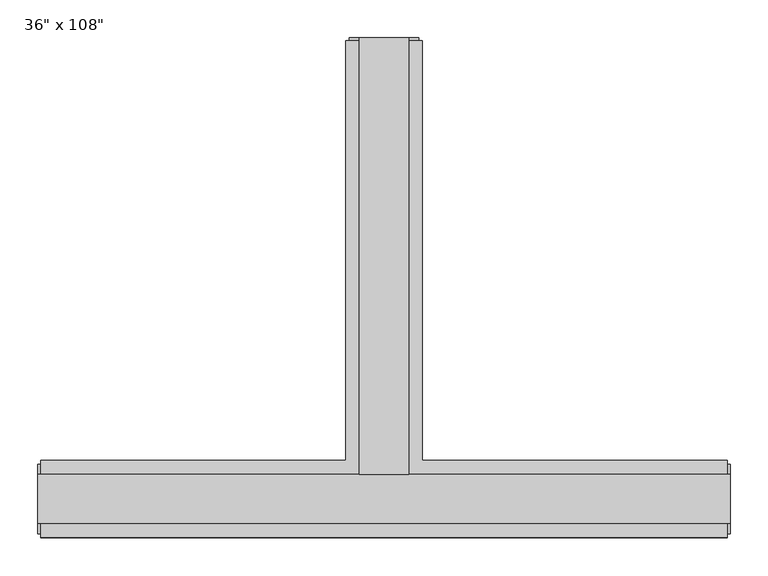
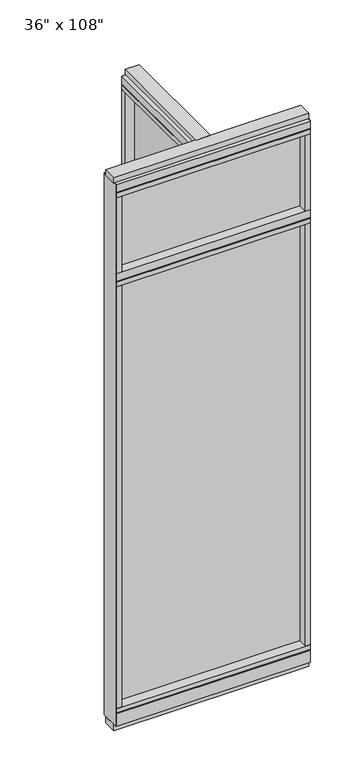
"""IFC4 building model written with IfcOpenShell, lengths in millimetres: furniture geometry."""

import ifcopenshell
import ifcopenshell.guid

model = None  # the IFC model being written
_history = None  # IfcOwnerHistory: only IFC2X3 demands one
_inside = {}  # id of a spatial element -> (the spatial element, [elements in it])
_under = {}  # id of a project, library or spatial element -> (it, [spatial elements below it])
_declared = {}  # id of a project -> (the project, [libraries it declares])
_typed = {}  # id of a type object -> (the type object, [elements of that type])
_made_of = {}  # id of a material, layer set ... -> (it, [elements and type objects made of it])


def new_model(schema):
    """Start an empty IFC model of exactly this schema.

    Asked for "IFC4X3", IfcOpenShell would pick the latest addendum, in which some entities
    have other attributes; the version numbers below select the first issue.
    IFC2X3 requires an IfcOwnerHistory on every rooted entity: one is made here for all.
    """
    global model, _history
    if schema == "IFC4X3":
        model = ifcopenshell.file(schema_version=(4, 3, 0, 0))
    else:
        model = ifcopenshell.file(schema=schema)
    _inside.clear()
    _under.clear()
    _declared.clear()
    _typed.clear()
    _made_of.clear()
    _history = None
    if model.schema == "IFC2X3":
        org = make("IfcOrganization", Name="unknown")
        user = make(
            "IfcPersonAndOrganization",
            ThePerson=make("IfcPerson", FamilyName="unknown"),
            TheOrganization=org,
        )
        app = make(
            "IfcApplication",
            ApplicationDeveloper=org,
            Version="unknown",
            ApplicationFullName="unknown",
            ApplicationIdentifier="unknown",
        )
        _history = make(
            "IfcOwnerHistory",
            OwningUser=user,
            OwningApplication=app,
            ChangeAction="ADDED",
            CreationDate=0,
        )
    return model


def make(cls, **values):
    """One entity of the class cls with the attributes given. An attribute that is None is left unset."""
    return model.create_entity(
        cls, **{name: value for name, value in values.items() if value is not None}
    )


def rooted(cls, **values):
    """An entity with a GlobalId (a new one), such as an element, a storey or a relation."""
    return make(cls, GlobalId=ifcopenshell.guid.new(), OwnerHistory=_history, **values)


def si_unit(unit_type, name, prefix=None):
    """IfcSIUnit, for example si_unit("LENGTHUNIT", "METRE", prefix="MILLI")."""
    return make("IfcSIUnit", UnitType=unit_type, Prefix=prefix, Name=name)


def assignment(units):
    """IfcUnitAssignment: the units of a project."""
    return None if units is None else make("IfcUnitAssignment", Units=units)


def point(xyz):
    """IfcCartesianPoint."""
    return None if xyz is None else make("IfcCartesianPoint", Coordinates=xyz)


def direction(xyz):
    """IfcDirection."""
    return None if xyz is None else make("IfcDirection", DirectionRatios=xyz)


def frame(location, z_axis=None, x_axis=None):
    """IfcAxis2Placement3D, a coordinate frame: its origin and axes. An axis left out is left unset."""
    return make(
        "IfcAxis2Placement3D",
        Location=point(location),
        Axis=direction(z_axis),
        RefDirection=direction(x_axis),
    )


def origin():
    """The frame at (0, 0, 0) with its axes left unset."""
    return frame((0.0, 0.0, 0.0))


def origin_with_axes():
    """The frame at (0, 0, 0) with the z axis (0, 0, 1) and the x axis (1, 0, 0) written out."""
    return frame((0.0, 0.0, 0.0), z_axis=(0.0, 0.0, 1.0), x_axis=(1.0, 0.0, 0.0))


def place(relative_to, where):
    """IfcLocalPlacement: puts the frame where relative to a parent placement (None: the world)."""
    return make(
        "IfcLocalPlacement", PlacementRelTo=relative_to, RelativePlacement=where
    )


def context(
    kind, dimensions, precision=None, world=None, true_north=None, identifier=None
):
    """IfcGeometricRepresentationContext, for example the 3D "Model" context."""
    return make(
        "IfcGeometricRepresentationContext",
        ContextIdentifier=identifier,
        ContextType=kind,
        CoordinateSpaceDimension=dimensions,
        Precision=precision,
        WorldCoordinateSystem=world,
        TrueNorth=true_north,
    )


def project(units=None, contexts=None):
    """IfcProject with its units and contexts."""
    return rooted(
        "IfcProject",
        Name="project",
        RepresentationContexts=contexts,
        UnitsInContext=assignment(units),
    )


def spatial(cls, under=None, at=None, **own):
    """A site, building, storey or space (cls), placed at a placement, below another one or the project."""
    s = rooted(cls, ObjectPlacement=at, **own)
    if under is not None:
        _under.setdefault(under.id(), (under, []))[1].append(s)
    return s


def polyline(points):
    """IfcPolyline through the points."""
    return make("IfcPolyline", Points=[point(p) for p in points])


def outline(outer, holes=None, kind="AREA"):
    """IfcArbitraryClosedProfileDef: a profile drawn as a closed curve; with holes, ...WithVoids."""
    if holes is None:
        return make("IfcArbitraryClosedProfileDef", ProfileType=kind, OuterCurve=outer)
    return make(
        "IfcArbitraryProfileDefWithVoids",
        ProfileType=kind,
        OuterCurve=outer,
        InnerCurves=holes,
    )


def extrude(swept, where, along, depth):
    """IfcExtrudedAreaSolid: the profile swept, set in the frame where, extruded along a direction by depth."""
    return make(
        "IfcExtrudedAreaSolid",
        SweptArea=swept,
        Position=where,
        ExtrudedDirection=direction(along),
        Depth=depth,
    )


def faces_of(points, faces, orient=None, outer=None):
    """IfcFace entities. A face is a list of loops; a loop is a list of indices into points, from 0.

    orient and outer hold one flag for each loop. By default every Orientation is true, the
    first loop of a face is its IfcFaceOuterBound and the others are IfcFaceBound.
    """
    made = []
    for i, loops in enumerate(faces):
        bounds = []
        for j, loop in enumerate(loops):
            is_outer = j == 0 if outer is None else outer[i][j]
            bounds.append(
                make(
                    "IfcFaceOuterBound" if is_outer else "IfcFaceBound",
                    Bound=make("IfcPolyLoop", Polygon=[points[k] for k in loop]),
                    Orientation=True if orient is None else orient[i][j],
                )
            )
        made.append(make("IfcFace", Bounds=bounds))
    return made


def faceted_brep(points, faces, orient=None, outer=None, voids=None):
    """IfcFacetedBrep: a solid bounded by flat faces; with voids (closed shells), ...WithVoids."""
    shared = [point(p) for p in points]
    hull = make("IfcClosedShell", CfsFaces=faces_of(shared, faces, orient, outer))
    if voids is None:
        return make("IfcFacetedBrep", Outer=hull)
    return make(
        "IfcFacetedBrepWithVoids",
        Outer=hull,
        Voids=[
            make(cls, CfsFaces=faces_of(shared, fs, o, b)) for cls, fs, o, b in voids
        ],
    )


def shape(context_of_items, identifier, shape_type, items):
    """IfcShapeRepresentation: the items that make up one representation, for example the "Body"."""
    return make(
        "IfcShapeRepresentation",
        ContextOfItems=context_of_items,
        RepresentationIdentifier=identifier,
        RepresentationType=shape_type,
        Items=items,
    )


def source(mapping_origin, context_of_items, identifier, shape_type, items):
    """IfcRepresentationMap: a shape defined once, which mapped items show again and again."""
    return make(
        "IfcRepresentationMap",
        MappingOrigin=mapping_origin,
        MappedRepresentation=shape(context_of_items, identifier, shape_type, items),
    )


def transform(
    local_origin,
    x_axis=None,
    y_axis=None,
    z_axis=None,
    scale=None,
    scale2=None,
    scale3=None,
    uniform=True,
):
    """IfcCartesianTransformationOperator3D, or its non-uniform kind. x_axis, y_axis, z_axis: its Axis1, 2, 3."""
    if uniform:
        return make(
            "IfcCartesianTransformationOperator3D",
            Axis1=direction(x_axis),
            Axis2=direction(y_axis),
            LocalOrigin=point(local_origin),
            Scale=scale,
            Axis3=direction(z_axis),
        )
    return make(
        "IfcCartesianTransformationOperator3DnonUniform",
        Axis1=direction(x_axis),
        Axis2=direction(y_axis),
        LocalOrigin=point(local_origin),
        Scale=scale,
        Axis3=direction(z_axis),
        Scale2=scale2,
        Scale3=scale3,
    )


def mapped(mapping_source, mapping_target):
    """IfcMappedItem: shows the shape of a source again, moved by a transform."""
    return make(
        "IfcMappedItem", MappingSource=mapping_source, MappingTarget=mapping_target
    )


def made_of(thing, what):
    """Note that an element or type object is made of a material, layer set ...; save() writes the relation."""
    if what is not None:
        _made_of.setdefault(what.id(), (what, []))[1].append(thing)
    return thing


def element(
    cls,
    number,
    at=None,
    inside=None,
    cuts=None,
    type_object=None,
    material=None,
    context=None,
    identifier="Body",
    shape_type=None,
    held_by="IfcProductDefinitionShape",
    body=None,
    shapes=None,
    **own,
):
    """One element of the class cls, such as IfcWall. Its Tag is "e" and its number.

    at: its placement. inside: the storey or other place that contains it. cuts: it is an
    opening in that element (IfcRelVoidsElement). A single representation is given by context,
    identifier, shape_type and body (its items); several are given by shapes. held_by: the class
    of the entity that holds the representations. save() writes the other relations.
    """
    e = rooted(cls, Tag="e%d" % number, ObjectPlacement=at, **own)
    if body is not None:
        shapes = [shape(context, identifier, shape_type, body)]
    if shapes is not None:
        e.Representation = make(held_by, Representations=shapes)
    if inside is not None:
        _inside.setdefault(inside.id(), (inside, []))[1].append(e)
    if cuts is not None:
        rooted(
            "IfcRelVoidsElement", RelatingBuildingElement=cuts, RelatedOpeningElement=e
        )
    if type_object is not None:
        _typed.setdefault(type_object.id(), (type_object, []))[1].append(e)
    return made_of(e, material)


def aggregate(whole, parts):
    """IfcRelAggregates: a whole, such as a stair, and the parts it consists of."""
    return rooted("IfcRelAggregates", RelatingObject=whole, RelatedObjects=parts)


def save(model, path):
    """Write the relations noted so far, then the file.

    IfcRelAggregates (storeys below a building ...), IfcRelContainedInSpatialStructure (elements
    in a storey), IfcRelDefinesByType, IfcRelAssociatesMaterial and IfcRelDeclares: one each for
    every whole, place, type object, material and project.
    """
    for whole, parts in _under.values():
        aggregate(whole, parts)
    for where, things in _inside.values():
        rooted(
            "IfcRelContainedInSpatialStructure",
            RelatedElements=things,
            RelatingStructure=where,
        )
    for kind, things in _typed.values():
        rooted("IfcRelDefinesByType", RelatedObjects=things, RelatingType=kind)
    for what, things in _made_of.values():
        rooted("IfcRelAssociatesMaterial", RelatedObjects=things, RelatingMaterial=what)
    for by, libraries in _declared.values():
        rooted("IfcRelDeclares", RelatingContext=by, RelatedDefinitions=libraries)
    model.write(path)


def furniture_76030378(model_context):
    return source(origin(), model_context, "Body", "SolidModel", [
        extrude(outline(polyline([(-65.1165229, 0.5622784), (-65.1165229, 578.9202784), (-54.9565229, 578.9202784), (-54.9565229, 0.5622784), (-65.1165229, 0.5622784)])), frame((0.0, 0.0, 2276.475), z_axis=(0.0, 0.0, 1.0), x_axis=(1.0, 0.0, 0.0)), (0.0, 0.0, 1.0), 355.6),
        extrude(outline(polyline([(371.0014771, -9.5977216), (-491.0745229, -9.5977216), (-491.0745229, 0.5622784), (371.0014771, 0.5622784), (371.0014771, -9.5977216)])), frame((0.0, 0.0, 2276.475), z_axis=(0.0, 0.0, 1.0), x_axis=(1.0, 0.0, 0.0)), (0.0, 0.0, 1.0), 355.6),
        extrude(outline(polyline([(-65.1165229, 0.5622784), (-65.1165229, 578.9202784), (-54.9565229, 578.9202784), (-54.9565229, 0.5622784), (-65.1165229, 0.5622784)])), frame((0.0, 0.0, 120.65), z_axis=(0.0, 0.0, 1.0), x_axis=(1.0, 0.0, 0.0)), (0.0, 0.0, 1.0), 2114.677),
        extrude(outline(polyline([(371.0014771, -9.5977216), (-491.0745229, -9.5977216), (-491.0745229, 0.5622784), (371.0014771, 0.5622784), (371.0014771, -9.5977216)])), frame((0.0, 0.0, 120.523), z_axis=(0.0, 0.0, 1.0), x_axis=(1.0, 0.0, 0.0)), (0.0, 0.0, 1.0), 2114.677),
        extrude(outline(polyline([(-110.8365229, 601.1452784), (-9.2365229, 601.1452784), (-9.2365229, 46.2822784), (393.2264771, 46.2822784), (393.2264771, -55.3177216), (-513.2995229, -55.3177216), (-513.2995229, 46.2822784), (-110.8365229, 46.2822784), (-110.8365229, 601.1452784)])), frame((0.0, 0.0, 2654.3), z_axis=(0.0, 0.0, 1.0), x_axis=(1.0, 0.0, 0.0)), (0.0, 0.0, 1.0), 22.225),
        faceted_brep([(-105.8835229, 46.2822784, 2681.478), (-105.8835229, 46.2822784, 2676.525), (-14.1895229, 46.2822784, 2676.525), (-14.1895229, 46.2822784, 2681.478), (-9.2365229, 601.1452784, 2681.478), (-14.1895229, 601.1452784, 2681.478), (-14.1895229, 601.1452784, 2676.525), (-105.8835229, 601.1452784, 2676.525), (-105.8835229, 601.1452784, 2681.478), (-110.8365229, 601.1452784, 2681.478), (-110.8365229, 601.1452784, 2717.8), (-9.2365229, 601.1452784, 2717.8), (-9.2365229, 46.2822784, 2681.478), (393.2264771, 46.2822784, 2681.478), (393.2264771, 41.3292784, 2681.478), (-513.2995229, 41.3292784, 2681.478), (-513.2995229, 46.2822784, 2681.478), (-110.8365229, 46.2822784, 2681.478), (-110.8365229, 46.2822784, 2717.8), (-513.2995229, 46.2822784, 2717.8), (-513.2995229, -55.3177216, 2717.8), (393.2264771, -55.3177216, 2717.8), (393.2264771, 46.2822784, 2717.8), (-9.2365229, 46.2822784, 2717.8), (-513.2995229, -55.3177216, 2681.478), (-513.2995229, 41.3292784, 2676.525), (-513.2995229, -50.3647216, 2676.525), (-513.2995229, -50.3647216, 2681.478), (393.2264771, -55.3177216, 2681.478), (393.2264771, -50.3647216, 2681.478), (393.2264771, -50.3647216, 2676.525), (393.2264771, 41.3292784, 2676.525)], [[[0, 1, 2, 3]], [[4, 5, 6, 7, 8, 9, 10, 11]], [[5, 4, 12, 13, 14, 15, 16, 17, 9, 8, 0, 3]], [[3, 2, 6, 5]], [[2, 1, 7, 6]], [[1, 0, 8, 7]], [[10, 9, 17, 18]], [[11, 10, 18, 19, 20, 21, 22, 23]], [[4, 11, 23, 12]], [[24, 20, 19, 16, 15, 25, 26, 27]], [[28, 29, 30, 31, 14, 13, 22, 21]], [[24, 27, 29, 28]], [[16, 19, 18, 17]], [[22, 13, 12, 23]], [[20, 24, 28, 21]], [[25, 15, 14, 31]], [[26, 25, 31, 30]], [[27, 26, 30, 29]]]),
        extrude(outline(polyline([(-110.8365229, 601.1452784), (-9.2365229, 601.1452784), (-9.2365229, 46.2822784), (393.2264771, 46.2822784), (393.2264771, -55.3177216), (-513.2995229, -55.3177216), (-513.2995229, 46.2822784), (-110.8365229, 46.2822784), (-110.8365229, 601.1452784)])), frame((0.0, 0.0, 2212.975), z_axis=(0.0, 0.0, 1.0), x_axis=(1.0, 0.0, 0.0)), (0.0, 0.0, 1.0), 22.225),
        faceted_brep([(-105.8835229, 46.2822784, 2240.153), (-105.8835229, 46.2822784, 2235.2), (-14.1895229, 46.2822784, 2235.2), (-14.1895229, 46.2822784, 2240.153), (-9.2365229, 601.1452784, 2240.153), (-14.1895229, 601.1452784, 2240.153), (-14.1895229, 601.1452784, 2235.2), (-105.8835229, 601.1452784, 2235.2), (-105.8835229, 601.1452784, 2240.153), (-110.8365229, 601.1452784, 2240.153), (-110.8365229, 601.1452784, 2276.475), (-9.2365229, 601.1452784, 2276.475), (-9.2365229, 46.2822784, 2240.153), (393.2264771, 46.2822784, 2240.153), (393.2264771, 41.3292784, 2240.153), (-513.2995229, 41.3292784, 2240.153), (-513.2995229, 46.2822784, 2240.153), (-110.8365229, 46.2822784, 2240.153), (-110.8365229, 46.2822784, 2276.475), (-513.2995229, 46.2822784, 2276.475), (-513.2995229, -55.3177216, 2276.475), (393.2264771, -55.3177216, 2276.475), (393.2264771, 46.2822784, 2276.475), (-9.2365229, 46.2822784, 2276.475), (-513.2995229, -55.3177216, 2240.153), (-513.2995229, 41.3292784, 2235.2), (-513.2995229, -50.3647216, 2235.2), (-513.2995229, -50.3647216, 2240.153), (393.2264771, -55.3177216, 2240.153), (393.2264771, -50.3647216, 2240.153), (393.2264771, -50.3647216, 2235.2), (393.2264771, 41.3292784, 2235.2)], [[[0, 1, 2, 3]], [[4, 5, 6, 7, 8, 9, 10, 11]], [[5, 4, 12, 13, 14, 15, 16, 17, 9, 8, 0, 3]], [[3, 2, 6, 5]], [[2, 1, 7, 6]], [[1, 0, 8, 7]], [[10, 9, 17, 18]], [[11, 10, 18, 19, 20, 21, 22, 23]], [[4, 11, 23, 12]], [[24, 20, 19, 16, 15, 25, 26, 27]], [[28, 29, 30, 31, 14, 13, 22, 21]], [[24, 27, 29, 28]], [[27, 26, 30, 29]], [[26, 25, 31, 30]], [[25, 15, 14, 31]], [[16, 19, 18, 17]], [[22, 13, 12, 23]], [[20, 24, 28, 21]]]),
        faceted_brep([(-14.1895229, 46.2822784, 93.345), (-14.1895229, 46.2822784, 98.298), (-105.8835229, 46.2822784, 98.298), (-105.8835229, 46.2822784, 93.345), (-9.2365229, 601.1452784, 93.345), (-9.2365229, 601.1452784, 31.75), (-110.8365229, 601.1452784, 31.75), (-110.8365229, 601.1452784, 93.345), (-105.8835229, 601.1452784, 93.345), (-105.8835229, 601.1452784, 98.298), (-14.1895229, 601.1452784, 98.298), (-14.1895229, 601.1452784, 93.345), (-110.8365229, 46.2822784, 93.345), (-513.2995229, 46.2822784, 93.345), (-513.2995229, 41.3292784, 93.345), (393.2264771, 41.3292784, 93.345), (393.2264771, 46.2822784, 93.345), (-9.2365229, 46.2822784, 93.345), (-110.8365229, 46.2822784, 31.75), (-9.2365229, 46.2822784, 31.75), (393.2264771, 46.2822784, 31.75), (393.2264771, -55.3177216, 31.75), (-513.2995229, -55.3177216, 31.75), (-513.2995229, 46.2822784, 31.75), (393.2264771, -55.3177216, 93.345), (393.2264771, 41.3292784, 98.298), (393.2264771, -50.3647216, 98.298), (393.2264771, -50.3647216, 93.345), (-513.2995229, -55.3177216, 93.345), (-513.2995229, -50.3647216, 93.345), (-513.2995229, -50.3647216, 98.298), (-513.2995229, 41.3292784, 98.298)], [[[0, 1, 2, 3]], [[4, 5, 6, 7, 8, 9, 10, 11]], [[4, 11, 0, 3, 8, 7, 12, 13, 14, 15, 16, 17]], [[1, 0, 11, 10]], [[2, 1, 10, 9]], [[3, 2, 9, 8]], [[7, 6, 18, 12]], [[6, 5, 19, 20, 21, 22, 23, 18]], [[5, 4, 17, 19]], [[24, 21, 20, 16, 15, 25, 26, 27]], [[28, 29, 30, 31, 14, 13, 23, 22]], [[24, 27, 29, 28]], [[16, 20, 19, 17]], [[23, 13, 12, 18]], [[21, 24, 28, 22]], [[25, 15, 14, 31]], [[26, 25, 31, 30]], [[27, 26, 30, 29]]]),
        extrude(outline(polyline([(-110.8365229, 601.1452784), (-9.2365229, 601.1452784), (-9.2365229, 46.2822784), (393.2264771, 46.2822784), (393.2264771, -55.3177216), (-513.2995229, -55.3177216), (-513.2995229, 46.2822784), (-110.8365229, 46.2822784), (-110.8365229, 601.1452784)])), frame((0.0, 0.0, 98.298), z_axis=(0.0, 0.0, 1.0), x_axis=(1.0, 0.0, 0.0)), (0.0, 0.0, 1.0), 22.225),
        extrude(outline(polyline([(-9.2365229, 601.1452784), (-9.2365229, 578.9202784), (-110.8365229, 578.9202784), (-110.8365229, 601.1452784), (-9.2365229, 601.1452784)])), frame((0.0, 0.0, 2276.475), z_axis=(0.0, 0.0, 1.0), x_axis=(1.0, 0.0, 0.0)), (0.0, 0.0, 1.0), 377.825),
        extrude(outline(polyline([(371.0014771, -55.3177216), (371.0014771, 46.2822784), (393.2264771, 46.2822784), (393.2264771, -55.3177216), (371.0014771, -55.3177216)])), frame((0.0, 0.0, 2276.475), z_axis=(0.0, 0.0, 1.0), x_axis=(1.0, 0.0, 0.0)), (0.0, 0.0, 1.0), 377.825),
        extrude(outline(polyline([(-491.0745229, -55.3177216), (-513.2995229, -55.3177216), (-513.2995229, 46.2822784), (-491.0745229, 46.2822784), (-491.0745229, -55.3177216)])), frame((0.0, 0.0, 2276.475), z_axis=(0.0, 0.0, 1.0), x_axis=(1.0, 0.0, 0.0)), (0.0, 0.0, 1.0), 377.825),
        extrude(outline(polyline([(-27.5245229, 27.9942784), (-92.5485229, 27.9942784), (-92.5485229, 605.0822784), (-27.5245229, 605.0822784), (-27.5245229, 27.9942784)])), origin_with_axes(), (0.0, 0.0, 1.0), 31.75),
        extrude(outline(polyline([(-9.2365229, 601.1452784), (-9.2365229, 578.9202784), (-110.8365229, 578.9202784), (-110.8365229, 601.1452784), (-9.2365229, 601.1452784)])), frame((0.0, 0.0, 120.523), z_axis=(0.0, 0.0, 1.0), x_axis=(1.0, 0.0, 0.0)), (0.0, 0.0, 1.0), 2092.452),
        extrude(outline(polyline([(-14.1895229, 605.0822784), (-14.1895229, 601.1452784), (-105.8835229, 601.1452784), (-105.8835229, 605.0822784), (-14.1895229, 605.0822784)])), frame((0.0, 0.0, 31.75), z_axis=(0.0, 0.0, 1.0), x_axis=(1.0, 0.0, 0.0)), (0.0, 0.0, 1.0), 2686.05),
        extrude(outline(polyline([(-27.5245229, 27.9942784), (-92.5485229, 27.9942784), (-92.5485229, 605.0822784), (-27.5245229, 605.0822784), (-27.5245229, 27.9942784)])), frame((0.0, 0.0, 2717.8), z_axis=(0.0, 0.0, 1.0), x_axis=(1.0, 0.0, 0.0)), (0.0, 0.0, 1.0), 25.4),
        extrude(outline(polyline([(397.1634771, 27.9942784), (397.1634771, -37.0297216), (-517.2365229, -37.0297216), (-517.2365229, 27.9942784), (397.1634771, 27.9942784)])), origin_with_axes(), (0.0, 0.0, 1.0), 31.75),
        extrude(outline(polyline([(-517.2365229, -37.0297216), (-517.2365229, 27.9942784), (397.1634771, 27.9942784), (397.1634771, -37.0297216), (-517.2365229, -37.0297216)])), frame((0.0, 0.0, 2717.8), z_axis=(0.0, 0.0, 1.0), x_axis=(1.0, 0.0, 0.0)), (0.0, 0.0, 1.0), 25.4),
        extrude(outline(polyline([(371.0014771, -55.3177216), (371.0014771, 46.2822784), (393.2264771, 46.2822784), (393.2264771, -55.3177216), (371.0014771, -55.3177216)])), frame((0.0, 0.0, 120.523), z_axis=(0.0, 0.0, 1.0), x_axis=(1.0, 0.0, 0.0)), (0.0, 0.0, 1.0), 2092.452),
        extrude(outline(polyline([(-491.0745229, -55.3177216), (-513.2995229, -55.3177216), (-513.2995229, 46.2822784), (-491.0745229, 46.2822784), (-491.0745229, -55.3177216)])), frame((0.0, 0.0, 120.523), z_axis=(0.0, 0.0, 1.0), x_axis=(1.0, 0.0, 0.0)), (0.0, 0.0, 1.0), 2092.452),
        extrude(outline(polyline([(397.1634771, -50.3647216), (393.2264771, -50.3647216), (393.2264771, 41.3292784), (397.1634771, 41.3292784), (397.1634771, -50.3647216)])), frame((0.0, 0.0, 31.75), z_axis=(0.0, 0.0, 1.0), x_axis=(1.0, 0.0, 0.0)), (0.0, 0.0, 1.0), 2686.05),
        extrude(outline(polyline([(-517.2365229, -50.3647216), (-517.2365229, 41.3292784), (-513.2995229, 41.3292784), (-513.2995229, -50.3647216), (-517.2365229, -50.3647216)])), frame((0.0, 0.0, 31.75), z_axis=(0.0, 0.0, 1.0), x_axis=(1.0, 0.0, 0.0)), (0.0, 0.0, 1.0), 2686.05),
    ])


if __name__ == "__main__":
    model = new_model("IFC4")
    model_context = context("Model", 3, world=origin())
    ifc_project = project(units=[si_unit("LENGTHUNIT", "METRE", prefix="MILLI")], contexts=[model_context])
    site = spatial("IfcSite", under=ifc_project)
    building = spatial("IfcBuilding", under=site)
    placement = place(None, origin())
    furniture_shape = furniture_76030378(model_context)
    element("IfcFurniture", 1, ObjectType="36\" x 108\"", at=placement, inside=building, context=model_context, shape_type="MappedRepresentation", body=[
        mapped(furniture_shape, transform((0.0, 0.0, 0.0), x_axis=(1.0, 0.0, 0.0), y_axis=(0.0, 1.0, 0.0), z_axis=(0.0, 0.0, 1.0))),
    ])
    save(model, "model.ifc")
